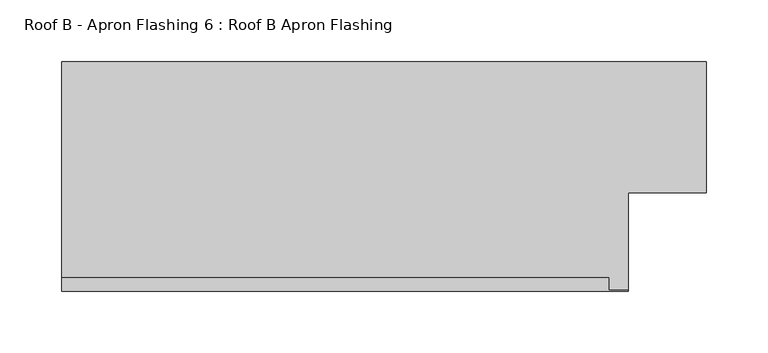
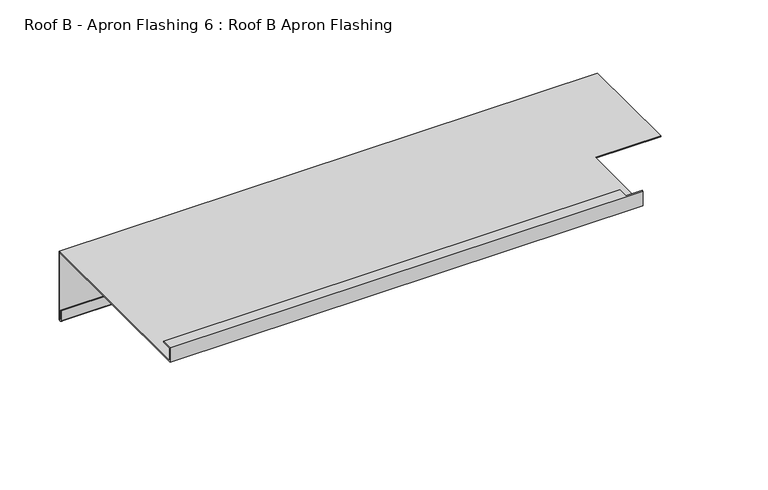
"""IFC4 building model written with IfcOpenShell, lengths in millimetres: proxy geometry, Roof B - Apron Flashing 6 : Roof B Apron Flashing."""

from ifc_helpers import new_model, si_unit, frame, origin, place, context, project, spatial, polyline, circle_curve, source, transform, mapped, element, save
from ifc_brep_helpers import plane_surface, cylinder_surface, revolved_surface, advanced_brep


def roof_b_apron_flashing_6_roof_b_apron_flashing_f8963a3d(model_context):
    return source(origin(), model_context, "Body", "AdvancedBrep", [
        advanced_brep(
        [(13690.7910961, 655.8026399, -986.662203), (13690.7910961, 655.8026399, -1055.0764166), (13690.7910961, 654.8026399, -1055.0764166), (13690.7910961, 654.8026399, -1045.1233066), (13690.7910961, 653.8026399, -1045.1233066), (13690.7910961, 653.8026399, -1055.0764166), (13690.7910961, 656.8026399, -1055.0764166), (13690.7910961, 656.8026399, -985.662203), (13690.7910961, 550.3594915, -985.662203), (13690.7910961, 550.3594915, -986.662203), (13167.4791786, 656.8026399, -985.662203), (13167.4791786, 656.8026399, -1055.0764166), (13167.4791786, 653.8026399, -1055.0764166), (13167.4791786, 653.8026399, -1045.1233066), (13167.4791786, 654.8026399, -1045.1233066), (13167.4791786, 654.8026399, -1055.0764166), (13167.4791786, 655.8026399, -1055.0764166), (13167.4791786, 655.8026399, -986.662203), (13167.4791786, 470.3615096, -986.662203), (13167.4791786, 470.3615096, -971.662203), (13167.4791786, 481.3998223, -971.662203), (13167.4791786, 481.3998223, -972.662203), (13167.4791786, 471.3615096, -972.662203), (13167.4791786, 471.3615096, -985.662203), (13627.4791786, 471.3615096, -985.662203), (13627.4791786, 550.3594915, -985.662203), (13627.4791786, 550.3594915, -986.662203), (13627.4791786, 470.3615096, -986.662203), (13611.3516031, 471.3615096, -972.662203), (13611.3516031, 471.3615096, -971.662203), (13627.4791786, 471.3615096, -971.662203), (13611.3516031, 481.3998223, -972.662203), (13611.3516031, 481.3998223, -971.662203), (13627.4791786, 470.3615096, -971.662203)],
        [
            (0, 1),
            (1, 2, circle_curve(frame((13690.7910961, 655.3026399, -1055.0764166), z_axis=(-1.0, 0.0, 0.0), x_axis=(0.0, 0.0, 1.0)), 0.5)),
            (2, 3),
            (3, 4),
            (4, 5),
            (5, 6, circle_curve(frame((13690.7910961, 655.3026399, -1055.0764166), z_axis=(1.0, 0.0, 0.0), x_axis=(0.0, 0.0, 1.0)), 1.5)),
            (6, 7),
            (7, 8),
            (8, 9),
            (9, 0),
            (10, 11),
            (11, 12, circle_curve(frame((13167.4791786, 655.3026399, -1055.0764166), z_axis=(-1.0, 0.0, 0.0), x_axis=(0.0, 0.0, 1.0)), 1.5)),
            (12, 13),
            (13, 14),
            (14, 15),
            (15, 16, circle_curve(frame((13167.4791786, 655.3026399, -1055.0764166), z_axis=(1.0, 0.0, 0.0), x_axis=(0.0, 0.0, 1.0)), 0.5)),
            (16, 17),
            (17, 18),
            (18, 19),
            (19, 20),
            (20, 21),
            (21, 22),
            (22, 23),
            (23, 10),
            (23, 24),
            (24, 25),
            (25, 8),
            (7, 10),
            (17, 0),
            (9, 26),
            (26, 27),
            (27, 18),
            (16, 1),
            (6, 11),
            (22, 28),
            (28, 29),
            (29, 30),
            (30, 24),
            (21, 31),
            (31, 28),
            (20, 32),
            (32, 31),
            (19, 33),
            (33, 30),
            (29, 32),
            (27, 33),
            (15, 2),
            (14, 3),
            (13, 4),
            (12, 5),
            (26, 25),
        ],
        [
            plane_surface(frame((13690.7910961, 462.3294164, -1042.7388515), z_axis=(1.0, 0.0, 0.0), x_axis=(0.0, 1.0, 0.0))),
            plane_surface(frame((13167.4791786, 462.3294164, -1042.7388515), z_axis=(-1.0, 0.0, 0.0), x_axis=(0.0, 1.0, 0.0))),
            plane_surface(frame((13690.7910961, 656.8026399, -985.662203), z_axis=(0.0, 0.0, 1.0), x_axis=(-1.0, 0.0, 0.0))),
            plane_surface(frame((13690.7910961, 470.3615096, -986.662203), z_axis=(0.0, 0.0, -1.0), x_axis=(-1.0, 0.0, 0.0))),
            plane_surface(frame((13690.7910961, 655.8026399, -986.662203), z_axis=(0.0, -1.0, 0.0), x_axis=(-1.0, 0.0, 0.0))),
            plane_surface(frame((13690.7910961, 656.8026399, -1055.0764166), z_axis=(0.0, 1.0, 0.0), x_axis=(-1.0, 0.0, 0.0))),
            plane_surface(frame((13690.7910961, 471.3615096, -985.662203), z_axis=(0.0, 1.0, 0.0), x_axis=(-1.0, 0.0, 0.0))),
            plane_surface(frame((13690.7910961, 471.3615096, -972.662203), z_axis=(0.0, 0.0, -1.0), x_axis=(-1.0, 0.0, 0.0))),
            plane_surface(frame((13690.7910961, 481.3998223, -972.662203), z_axis=(0.0, 1.0, 0.0), x_axis=(-1.0, 0.0, 0.0))),
            plane_surface(frame((13690.7910961, 481.3998223, -971.662203), z_axis=(0.0, 0.0, 1.0), x_axis=(-1.0, 0.0, 0.0))),
            plane_surface(frame((13690.7910961, 470.3615096, -971.662203), z_axis=(0.0, -1.0, 0.0), x_axis=(-1.0, 0.0, 0.0))),
            revolved_surface(polyline([(13167.4791786, 655.3026399, -1054.5764166), (13690.7910961, 655.3026399, -1054.5764166)]), (13690.7910961, 655.3026399, -1055.0764166), (-1.0, 0.0, 0.0)),
            plane_surface(frame((13690.7910961, 654.8026399, -1055.0764166), z_axis=(0.0, 1.0, 0.0), x_axis=(-1.0, 0.0, 0.0))),
            plane_surface(frame((13690.7910961, 654.8026399, -1045.1233066), z_axis=(0.0, 0.0, 1.0), x_axis=(-1.0, 0.0, 0.0))),
            plane_surface(frame((13690.7910961, 653.8026399, -1045.1233066), z_axis=(0.0, -1.0, 0.0), x_axis=(-1.0, 0.0, 0.0))),
            cylinder_surface(frame((13690.7910961, 655.3026399, -1055.0764166), z_axis=(1.0, 0.0, 0.0), x_axis=(0.0, 0.0, 1.0)), 1.5),
            plane_surface(frame((13627.4791786, 550.3594915, -1079.9089722), z_axis=(1.0, 0.0, 0.0), x_axis=(0.0, -0.9659258262890683, 0.25881904510252074))),
            plane_surface(frame((13627.4791786, 550.3594915, -852.4830665), z_axis=(0.0, -1.0, 0.0), x_axis=(1.0, 0.0, 0.0))),
            plane_surface(frame((13611.3516031, 471.3615603, -884.3834078), z_axis=(1.0, 0.0, 0.0), x_axis=(0.0, 0.0, -1.0))),
        ],
        [
            (0, [[1, 2, 3, 4, 5, 6, 7, 8, 9, 10]]),
            (1, [[11, 12, 13, 14, 15, 16, 17, 18, 19, 20, 21, 22, 23, 24]]),
            (2, [[-24, 25, 26, 27, -8, 28]]),
            (3, [[-18, 29, -10, 30, 31, 32]]),
            (4, [[-1, -29, -17, 33]]),
            (5, [[-7, 34, -11, -28]]),
            (6, [[-23, 35, 36, 37, 38, -25]]),
            (7, [[-22, 39, 40, -35]]),
            (8, [[-21, 41, 42, -39]]),
            (9, [[-20, 43, 44, -37, 45, -41]]),
            (10, [[-19, -32, 46, -43]]),
            (11, [[-2, -33, -16, 47]]),
            (12, [[-3, -47, -15, 48]]),
            (13, [[-4, -48, -14, 49]]),
            (14, [[-5, -49, -13, 50]]),
            (15, [[-6, -50, -12, -34]]),
            (16, [[51, -26, -38, -44, -46, -31]]),
            (17, [[-51, -30, -9, -27]]),
            (18, [[-36, -40, -42, -45]]),
        ],
    ),
    ])


if __name__ == "__main__":
    model = new_model("IFC4")
    model_context = context("Model", 3, world=origin())
    ifc_project = project(units=[si_unit("LENGTHUNIT", "METRE", prefix="MILLI")], contexts=[model_context])
    site = spatial("IfcSite", under=ifc_project)
    building = spatial("IfcBuilding", under=site)
    placement = place(None, origin())
    roof_b_apron_flashing_6_roof_b_apron_flashing_shape = roof_b_apron_flashing_6_roof_b_apron_flashing_f8963a3d(model_context)
    element("IfcBuildingElementProxy", 1, Name="Roof B - Apron Flashing 6 : Roof B Apron Flashing", ObjectType="Roof B - Apron Flashing 6 : Roof B Apron Flashing", at=placement, inside=building, context=model_context, shape_type="MappedRepresentation", body=[
        mapped(roof_b_apron_flashing_6_roof_b_apron_flashing_shape, transform((0.0, 0.0, 0.0), x_axis=(1.0, 0.0, 0.0), y_axis=(0.0, 1.0, 0.0), z_axis=(0.0, 0.0, 1.0))),
    ])
    save(model, "model.ifc")
